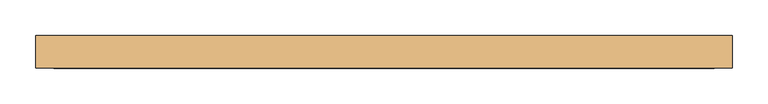
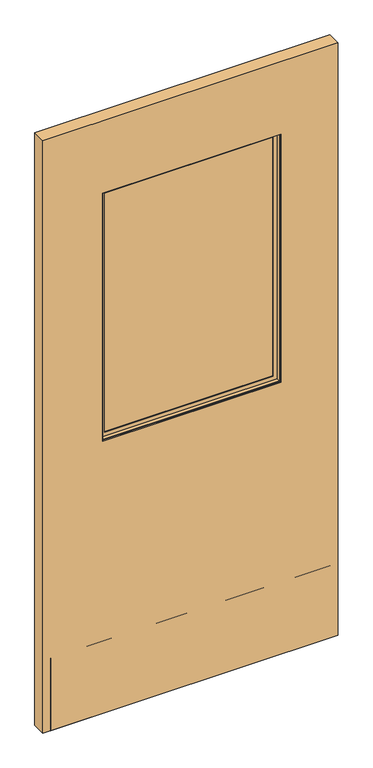
"""IFC4 building model written with IfcOpenShell, lengths in millimetres: door geometry."""

from ifc_helpers import new_model, si_unit, frame, origin, place, context, project, spatial, polyline, outline, extrude, faceted_brep, source, transform, mapped, element, save


def door_3cfd2c72(model_context):
    return source(origin(), model_context, "Body", "SolidModel", [
        extrude(outline(polyline([(300.7535674, 3.175), (300.7535674, -3.175), (-291.0664326, -3.175), (-291.0664326, 3.175), (300.7535674, 3.175)])), frame((0.0, 0.0, 968.7435027), z_axis=(0.0, 0.0, 1.0), x_axis=(1.0, 0.0, 0.0)), (0.0, 0.0, 1.0), 871.22),
        faceted_brep([(-275.1758536, -3.797467, 1824.0729238), (-275.1758536, -6.9755828, 1824.0729238), (-275.1758536, -6.9755828, 984.6340817), (-275.1758536, -3.797467, 984.6340817), (284.8629885, -6.9755828, 984.6340817), (284.8629885, -3.797467, 984.6340817), (297.5754516, -6.9755828, 971.9216185), (297.5754516, -6.9755828, 1836.7853869), (-287.8883168, -6.9755828, 1836.7853869), (-287.8883168, -6.9755828, 971.9216185), (284.8629885, -6.9755828, 1824.0729238), (284.8629885, -3.797467, 1824.0729238), (-291.0664326, -3.797467, 968.7435027), (-291.0664326, -3.797467, 1839.9635027), (300.7535674, -3.797467, 1839.9635027), (300.7535674, -3.797467, 968.7435027), (-291.0664326, -19.688046, 1839.9635027), (-291.0664326, -19.688046, 968.7435027), (300.7535674, -19.688046, 968.7435027), (300.7535674, -19.688046, 1839.9635027), (-287.8883168, -19.688046, 971.9216185), (-287.8883168, -19.688046, 1836.7853869), (297.5754516, -19.688046, 1836.7853869), (297.5754516, -19.688046, 971.9216185)], [[[0, 1, 2, 3]], [[3, 2, 4, 5]], [[6, 7, 8, 9], [2, 1, 10, 4]], [[5, 4, 10, 11]], [[12, 13, 14, 15], [5, 11, 0, 3]], [[16, 13, 12, 17]], [[17, 12, 15, 18]], [[18, 15, 14, 19]], [[18, 19, 16, 17], [20, 21, 22, 23]], [[8, 21, 20, 9]], [[9, 20, 23, 6]], [[6, 23, 22, 7]], [[11, 10, 1, 0]], [[19, 14, 13, 16]], [[7, 22, 21, 8]]]),
        faceted_brep([(-287.8883168, 19.688046, 1836.7853869), (-287.8883168, 6.9755828, 1836.7853869), (-287.8883168, 6.9755828, 971.9216185), (-287.8883168, 19.688046, 971.9216185), (297.5754516, 6.9755828, 971.9216185), (297.5754516, 19.688046, 971.9216185), (297.5754516, 6.9755828, 1836.7853869), (284.8629885, 6.9755828, 984.6340817), (284.8629885, 6.9755828, 1824.0729238), (-275.1758536, 6.9755828, 1824.0729238), (-275.1758536, 6.9755828, 984.6340817), (297.5754516, 19.688046, 1836.7853869), (-291.0664326, 19.688046, 968.7435027), (-291.0664326, 19.688046, 1839.9635027), (300.7535674, 19.688046, 1839.9635027), (300.7535674, 19.688046, 968.7435027), (-291.0664326, 3.797467, 1839.9635027), (-291.0664326, 3.797467, 968.7435027), (300.7535674, 3.797467, 968.7435027), (300.7535674, 3.797467, 1839.9635027), (-275.1758536, 3.797467, 984.6340817), (-275.1758536, 3.797467, 1824.0729238), (284.8629885, 3.797467, 1824.0729238), (284.8629885, 3.797467, 984.6340817)], [[[0, 1, 2, 3]], [[3, 2, 4, 5]], [[2, 1, 6, 4], [7, 8, 9, 10]], [[5, 4, 6, 11]], [[12, 13, 14, 15], [5, 11, 0, 3]], [[16, 13, 12, 17]], [[17, 12, 15, 18]], [[18, 15, 14, 19]], [[18, 19, 16, 17], [20, 21, 22, 23]], [[9, 21, 20, 10]], [[10, 20, 23, 7]], [[7, 23, 22, 8]], [[11, 6, 1, 0]], [[19, 14, 13, 16]], [[8, 22, 21, 9]]]),
        extrude(outline(polyline([(2093.9635027, 490.4564326), (2093.9635027, -490.4564326), (12.7, -490.4564326), (12.7, 490.4564326), (2093.9635027, 490.4564326)]), holes=[polyline([(1839.9635027, -291.0664326), (1839.9635027, 300.7535674), (968.7435027, 300.7535674), (968.7435027, -291.0664326), (1839.9635027, -291.0664326)])]), frame((0.0, -23.114, 0.0), z_axis=(0.0, 1.0, 0.0), x_axis=(0.0, 0.0, 1.0)), (0.0, 0.0, 1.0), 46.228),
        extrude(outline(polyline([(465.0564326, -9.8925062), (465.0564326, -11.4927062), (-465.0564326, -11.4927062), (-465.0564326, -9.8925062), (465.0564326, -9.8925062)])), frame((0.0, 0.0, 12.7), z_axis=(0.0, 0.0, 1.0), x_axis=(1.0, 0.0, 0.0)), (0.0, 0.0, 1.0), 254.0),
        extrude(outline(polyline([(465.0564326, -21.5634094), (465.0564326, -23.114), (-465.0564326, -23.114), (-465.0564326, -21.5634094), (465.0564326, -21.5634094)])), frame((0.0, 0.0, 12.7), z_axis=(0.0, 0.0, 1.0), x_axis=(1.0, 0.0, 0.0)), (0.0, 0.0, 1.0), 254.0),
    ])


if __name__ == "__main__":
    model = new_model("IFC4")
    model_context = context("Model", 3, world=origin())
    ifc_project = project(units=[si_unit("LENGTHUNIT", "METRE", prefix="MILLI")], contexts=[model_context])
    site = spatial("IfcSite", under=ifc_project)
    building = spatial("IfcBuilding", under=site)
    placement = place(None, origin())
    door_shape = door_3cfd2c72(model_context)
    element("IfcDoor", 1, at=placement, inside=building, context=model_context, shape_type="MappedRepresentation", body=[
        mapped(door_shape, transform((0.0, 0.0, 0.0), x_axis=(1.0, 0.0, 0.0), y_axis=(0.0, 1.0, 0.0), z_axis=(0.0, 0.0, 1.0))),
    ])
    save(model, "model.ifc")
